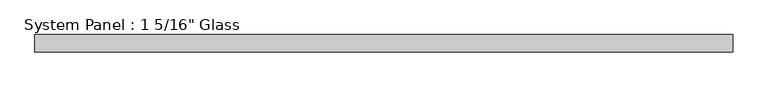
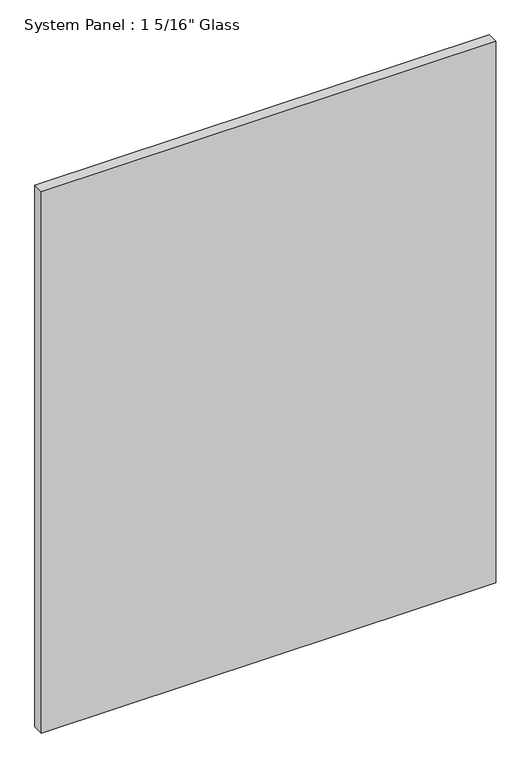
"""IFC4 building model written with IfcOpenShell, lengths in millimetres: plate geometry."""

from ifc_helpers import new_model, si_unit, origin, origin_with_axes, place, context, project, spatial, polyline, outline, extrude, source, transform, mapped, element, save


def plate_11c91fca(model_context):
    return source(origin(), model_context, "Body", "SweptSolid", [
        extrude(outline(polyline([(675.878125, -16.66875), (-675.878125, -16.66875), (-675.878125, 16.66875), (675.878125, 16.66875), (675.878125, -16.66875)])), origin_with_axes(), (0.0, 0.0, 1.0), 1701.8),
    ])


if __name__ == "__main__":
    model = new_model("IFC4")
    model_context = context("Model", 3, world=origin())
    ifc_project = project(units=[si_unit("LENGTHUNIT", "METRE", prefix="MILLI")], contexts=[model_context])
    site = spatial("IfcSite", under=ifc_project)
    building = spatial("IfcBuilding", under=site)
    placement = place(None, origin())
    plate_shape = plate_11c91fca(model_context)
    element("IfcPlate", 1, ObjectType="System Panel : 1 5/16\" Glass", at=placement, inside=building, context=model_context, shape_type="MappedRepresentation", body=[
        mapped(plate_shape, transform((0.0, 0.0, 0.0), x_axis=(1.0, 0.0, 0.0), y_axis=(0.0, 1.0, 0.0), z_axis=(0.0, 0.0, 1.0))),
    ])
    save(model, "model.ifc")
